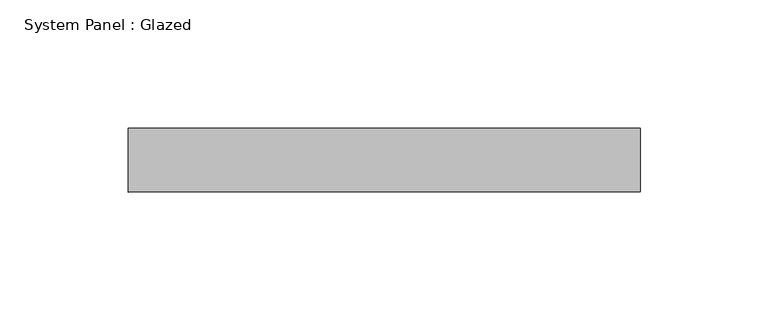
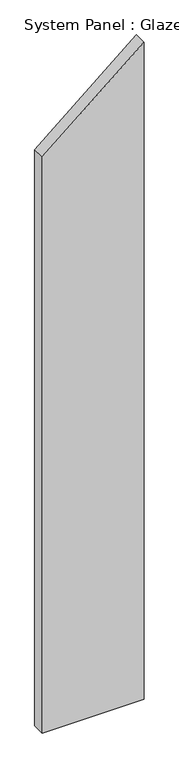
"""IFC4 building model written with IfcOpenShell, lengths in millimetres: plate geometry, System Panel : Glazed."""

from ifc_helpers import new_model, si_unit, frame, origin, place, context, project, spatial, polyline, outline, extrude, source, transform, mapped, element, save


def system_panel_glazed_27377b0e(model_context):
    return source(origin(), model_context, "Body", "SweptSolid", [
        extrude(outline(polyline([(0.0, -100.0), (0.0, 100.0), (1363.3180824, 100.0), (1195.4981561, -100.0), (0.0, -100.0)])), frame((0.0, 24.5, 0.0), z_axis=(0.0, 1.0, 0.0), x_axis=(0.0, 0.0, 1.0)), (0.0, 0.0, 1.0), 25.0),
    ])


if __name__ == "__main__":
    model = new_model("IFC4")
    model_context = context("Model", 3, world=origin())
    ifc_project = project(units=[si_unit("LENGTHUNIT", "METRE", prefix="MILLI")], contexts=[model_context])
    site = spatial("IfcSite", under=ifc_project)
    building = spatial("IfcBuilding", under=site)
    placement = place(None, origin())
    system_panel_glazed_shape = system_panel_glazed_27377b0e(model_context)
    element("IfcPlate", 1, ObjectType="System Panel : Glazed", at=placement, inside=building, context=model_context, shape_type="MappedRepresentation", body=[
        mapped(system_panel_glazed_shape, transform((0.0, 0.0, 0.0), x_axis=(1.0, 0.0, 0.0), y_axis=(0.0, 1.0, 0.0), z_axis=(0.0, 0.0, 1.0))),
    ])
    save(model, "model.ifc")
